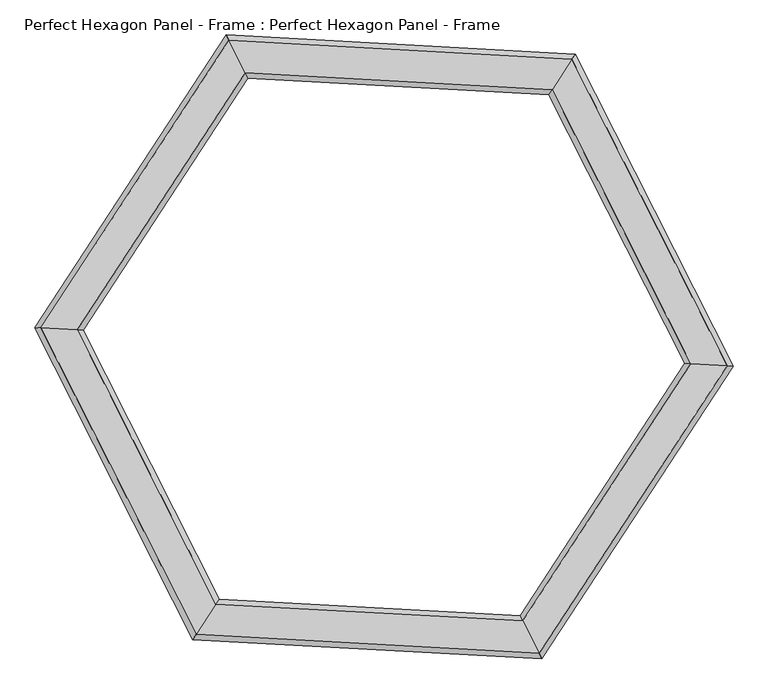
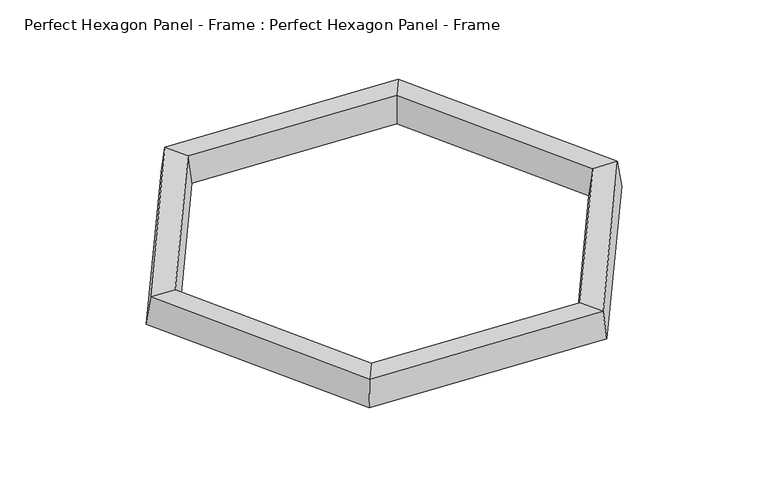
"""IFC4 building model written with IfcOpenShell, lengths in millimetres: plate geometry, Perfect Hexagon Panel - Frame : Perfect Hexagon Panel - Frame."""

from ifc_helpers import new_model, si_unit, origin, place, context, project, spatial, faceted_brep, source, transform, mapped, element, save


def perfect_hexagon_panel_frame_perfect_hexagon_panel_frame_f6e95494(model_context):
    return source(origin(), model_context, "Body", "Brep", [
        faceted_brep([(2864.5729957, 2558.1495994, 0.0), (2814.0562796, 2480.8101222, 0.0), (2240.6343595, 2512.3857774, 0.0), (2198.9147657, 2594.8042755, 0.0), (2858.2584062, 2548.4821647, 80.0), (2204.1297149, 2584.5019632, 80.0), (2820.3708691, 2490.4775569, 80.0), (2235.4194103, 2522.6880897, 80.0), (1926.57808, 2031.5756552, 0.0), (1834.34177, 2036.6546761, 0.0), (1845.8713088, 2036.0197985, 80.0), (1915.0485412, 2032.2105328, 80.0), (2185.9437204, 1519.1898778, 0.0), (2135.4270043, 1441.8504006, 0.0), (2141.7415938, 1451.5178353, 80.0), (2179.6291309, 1509.5224431, 80.0), (2759.3656405, 1487.6142226, 0.0), (2801.0852343, 1405.1957245, 0.0), (2795.8702851, 1415.4980368, 80.0), (2764.5805897, 1477.3119103, 80.0), (3073.42192, 1968.4243448, 0.0), (3165.65823, 1963.3453239, 0.0), (3154.1286912, 1963.9802015, 80.0), (3084.9514588, 1967.7894672, 80.0)], [[[0, 1, 2, 3]], [[4, 0, 3, 5]], [[6, 4, 5, 7]], [[1, 6, 7, 2]], [[3, 2, 8, 9]], [[5, 3, 9, 10]], [[7, 5, 10, 11]], [[2, 7, 11, 8]], [[9, 8, 12, 13]], [[10, 9, 13, 14]], [[11, 10, 14, 15]], [[8, 11, 15, 12]], [[13, 12, 16, 17]], [[14, 13, 17, 18]], [[15, 14, 18, 19]], [[12, 15, 19, 16]], [[17, 16, 20, 21]], [[18, 17, 21, 22]], [[19, 18, 22, 23]], [[16, 19, 23, 20]], [[21, 20, 1, 0]], [[22, 21, 0, 4]], [[23, 22, 4, 6]], [[20, 23, 6, 1]]]),
    ])


if __name__ == "__main__":
    model = new_model("IFC4")
    model_context = context("Model", 3, world=origin())
    ifc_project = project(units=[si_unit("LENGTHUNIT", "METRE", prefix="MILLI")], contexts=[model_context])
    site = spatial("IfcSite", under=ifc_project)
    building = spatial("IfcBuilding", under=site)
    placement = place(None, origin())
    perfect_hexagon_panel_frame_perfect_hexagon_panel_frame_shape = perfect_hexagon_panel_frame_perfect_hexagon_panel_frame_f6e95494(model_context)
    element("IfcPlate", 1, ObjectType="Perfect Hexagon Panel - Frame : Perfect Hexagon Panel - Frame", at=placement, inside=building, context=model_context, shape_type="MappedRepresentation", body=[
        mapped(perfect_hexagon_panel_frame_perfect_hexagon_panel_frame_shape, transform((0.0, 0.0, 0.0), x_axis=(1.0, 0.0, 0.0), y_axis=(0.0, 1.0, 0.0), z_axis=(0.0, 0.0, 1.0))),
    ])
    save(model, "model.ifc")
